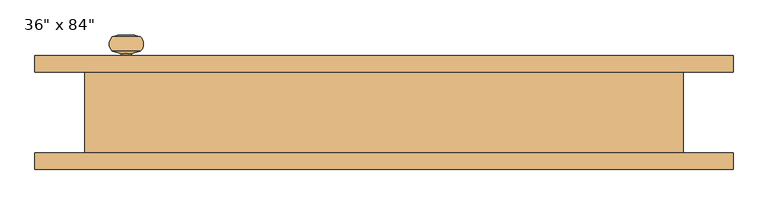
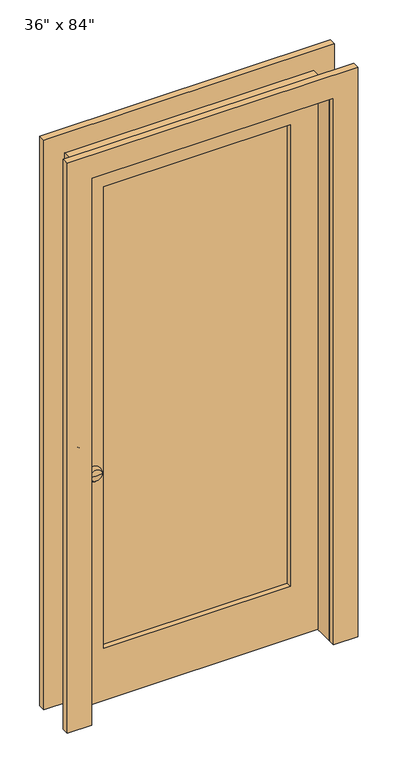
"""IFC4 building model written with IfcOpenShell, lengths in millimetres: door geometry."""

import ifcopenshell
import ifcopenshell.guid

model = None  # the IFC model being written
_history = None  # IfcOwnerHistory: only IFC2X3 demands one
_inside = {}  # id of a spatial element -> (the spatial element, [elements in it])
_under = {}  # id of a project, library or spatial element -> (it, [spatial elements below it])
_declared = {}  # id of a project -> (the project, [libraries it declares])
_typed = {}  # id of a type object -> (the type object, [elements of that type])
_made_of = {}  # id of a material, layer set ... -> (it, [elements and type objects made of it])


def new_model(schema):
    """Start an empty IFC model of exactly this schema.

    Asked for "IFC4X3", IfcOpenShell would pick the latest addendum, in which some entities
    have other attributes; the version numbers below select the first issue.
    IFC2X3 requires an IfcOwnerHistory on every rooted entity: one is made here for all.
    """
    global model, _history
    if schema == "IFC4X3":
        model = ifcopenshell.file(schema_version=(4, 3, 0, 0))
    else:
        model = ifcopenshell.file(schema=schema)
    _inside.clear()
    _under.clear()
    _declared.clear()
    _typed.clear()
    _made_of.clear()
    _history = None
    if model.schema == "IFC2X3":
        org = make("IfcOrganization", Name="unknown")
        user = make(
            "IfcPersonAndOrganization",
            ThePerson=make("IfcPerson", FamilyName="unknown"),
            TheOrganization=org,
        )
        app = make(
            "IfcApplication",
            ApplicationDeveloper=org,
            Version="unknown",
            ApplicationFullName="unknown",
            ApplicationIdentifier="unknown",
        )
        _history = make(
            "IfcOwnerHistory",
            OwningUser=user,
            OwningApplication=app,
            ChangeAction="ADDED",
            CreationDate=0,
        )
    return model


def make(cls, **values):
    """One entity of the class cls with the attributes given. An attribute that is None is left unset."""
    return model.create_entity(
        cls, **{name: value for name, value in values.items() if value is not None}
    )


def rooted(cls, **values):
    """An entity with a GlobalId (a new one), such as an element, a storey or a relation."""
    return make(cls, GlobalId=ifcopenshell.guid.new(), OwnerHistory=_history, **values)


def si_unit(unit_type, name, prefix=None):
    """IfcSIUnit, for example si_unit("LENGTHUNIT", "METRE", prefix="MILLI")."""
    return make("IfcSIUnit", UnitType=unit_type, Prefix=prefix, Name=name)


def assignment(units):
    """IfcUnitAssignment: the units of a project."""
    return None if units is None else make("IfcUnitAssignment", Units=units)


def point(xyz):
    """IfcCartesianPoint."""
    return None if xyz is None else make("IfcCartesianPoint", Coordinates=xyz)


def direction(xyz):
    """IfcDirection."""
    return None if xyz is None else make("IfcDirection", DirectionRatios=xyz)


def frame(location, z_axis=None, x_axis=None):
    """IfcAxis2Placement3D, a coordinate frame: its origin and axes. An axis left out is left unset."""
    return make(
        "IfcAxis2Placement3D",
        Location=point(location),
        Axis=direction(z_axis),
        RefDirection=direction(x_axis),
    )


def origin():
    """The frame at (0, 0, 0) with its axes left unset."""
    return frame((0.0, 0.0, 0.0))


def place(relative_to, where):
    """IfcLocalPlacement: puts the frame where relative to a parent placement (None: the world)."""
    return make(
        "IfcLocalPlacement", PlacementRelTo=relative_to, RelativePlacement=where
    )


def context(
    kind, dimensions, precision=None, world=None, true_north=None, identifier=None
):
    """IfcGeometricRepresentationContext, for example the 3D "Model" context."""
    return make(
        "IfcGeometricRepresentationContext",
        ContextIdentifier=identifier,
        ContextType=kind,
        CoordinateSpaceDimension=dimensions,
        Precision=precision,
        WorldCoordinateSystem=world,
        TrueNorth=true_north,
    )


def project(units=None, contexts=None):
    """IfcProject with its units and contexts."""
    return rooted(
        "IfcProject",
        Name="project",
        RepresentationContexts=contexts,
        UnitsInContext=assignment(units),
    )


def spatial(cls, under=None, at=None, **own):
    """A site, building, storey or space (cls), placed at a placement, below another one or the project."""
    s = rooted(cls, ObjectPlacement=at, **own)
    if under is not None:
        _under.setdefault(under.id(), (under, []))[1].append(s)
    return s


def polyline(points):
    """IfcPolyline through the points."""
    return make("IfcPolyline", Points=[point(p) for p in points])


def circle_curve(where, radius):
    """IfcCircle in the frame where."""
    return make("IfcCircle", Position=where, Radius=radius)


def ellipse_curve(where, semi_axis1, semi_axis2):
    """IfcEllipse in the frame where."""
    return make(
        "IfcEllipse", Position=where, SemiAxis1=semi_axis1, SemiAxis2=semi_axis2
    )


def trimmed(basis, trim1, trim2, sense, master):
    """IfcTrimmedCurve: the piece of a basis curve between two trims."""
    return make(
        "IfcTrimmedCurve",
        BasisCurve=basis,
        Trim1=trim1,
        Trim2=trim2,
        SenseAgreement=sense,
        MasterRepresentation=master,
    )


def outline(outer, holes=None, kind="AREA"):
    """IfcArbitraryClosedProfileDef: a profile drawn as a closed curve; with holes, ...WithVoids."""
    if holes is None:
        return make("IfcArbitraryClosedProfileDef", ProfileType=kind, OuterCurve=outer)
    return make(
        "IfcArbitraryProfileDefWithVoids",
        ProfileType=kind,
        OuterCurve=outer,
        InnerCurves=holes,
    )


def extrude(swept, where, along, depth):
    """IfcExtrudedAreaSolid: the profile swept, set in the frame where, extruded along a direction by depth."""
    return make(
        "IfcExtrudedAreaSolid",
        SweptArea=swept,
        Position=where,
        ExtrudedDirection=direction(along),
        Depth=depth,
    )


def shape(context_of_items, identifier, shape_type, items):
    """IfcShapeRepresentation: the items that make up one representation, for example the "Body"."""
    return make(
        "IfcShapeRepresentation",
        ContextOfItems=context_of_items,
        RepresentationIdentifier=identifier,
        RepresentationType=shape_type,
        Items=items,
    )


def source(mapping_origin, context_of_items, identifier, shape_type, items):
    """IfcRepresentationMap: a shape defined once, which mapped items show again and again."""
    return make(
        "IfcRepresentationMap",
        MappingOrigin=mapping_origin,
        MappedRepresentation=shape(context_of_items, identifier, shape_type, items),
    )


def transform(
    local_origin,
    x_axis=None,
    y_axis=None,
    z_axis=None,
    scale=None,
    scale2=None,
    scale3=None,
    uniform=True,
):
    """IfcCartesianTransformationOperator3D, or its non-uniform kind. x_axis, y_axis, z_axis: its Axis1, 2, 3."""
    if uniform:
        return make(
            "IfcCartesianTransformationOperator3D",
            Axis1=direction(x_axis),
            Axis2=direction(y_axis),
            LocalOrigin=point(local_origin),
            Scale=scale,
            Axis3=direction(z_axis),
        )
    return make(
        "IfcCartesianTransformationOperator3DnonUniform",
        Axis1=direction(x_axis),
        Axis2=direction(y_axis),
        LocalOrigin=point(local_origin),
        Scale=scale,
        Axis3=direction(z_axis),
        Scale2=scale2,
        Scale3=scale3,
    )


def mapped(mapping_source, mapping_target):
    """IfcMappedItem: shows the shape of a source again, moved by a transform."""
    return make(
        "IfcMappedItem", MappingSource=mapping_source, MappingTarget=mapping_target
    )


def made_of(thing, what):
    """Note that an element or type object is made of a material, layer set ...; save() writes the relation."""
    if what is not None:
        _made_of.setdefault(what.id(), (what, []))[1].append(thing)
    return thing


def element(
    cls,
    number,
    at=None,
    inside=None,
    cuts=None,
    type_object=None,
    material=None,
    context=None,
    identifier="Body",
    shape_type=None,
    held_by="IfcProductDefinitionShape",
    body=None,
    shapes=None,
    **own,
):
    """One element of the class cls, such as IfcWall. Its Tag is "e" and its number.

    at: its placement. inside: the storey or other place that contains it. cuts: it is an
    opening in that element (IfcRelVoidsElement). A single representation is given by context,
    identifier, shape_type and body (its items); several are given by shapes. held_by: the class
    of the entity that holds the representations. save() writes the other relations.
    """
    e = rooted(cls, Tag="e%d" % number, ObjectPlacement=at, **own)
    if body is not None:
        shapes = [shape(context, identifier, shape_type, body)]
    if shapes is not None:
        e.Representation = make(held_by, Representations=shapes)
    if inside is not None:
        _inside.setdefault(inside.id(), (inside, []))[1].append(e)
    if cuts is not None:
        rooted(
            "IfcRelVoidsElement", RelatingBuildingElement=cuts, RelatedOpeningElement=e
        )
    if type_object is not None:
        _typed.setdefault(type_object.id(), (type_object, []))[1].append(e)
    return made_of(e, material)


def aggregate(whole, parts):
    """IfcRelAggregates: a whole, such as a stair, and the parts it consists of."""
    return rooted("IfcRelAggregates", RelatingObject=whole, RelatedObjects=parts)


def save(model, path):
    """Write the relations noted so far, then the file.

    IfcRelAggregates (storeys below a building ...), IfcRelContainedInSpatialStructure (elements
    in a storey), IfcRelDefinesByType, IfcRelAssociatesMaterial and IfcRelDeclares: one each for
    every whole, place, type object, material and project.
    """
    for whole, parts in _under.values():
        aggregate(whole, parts)
    for where, things in _inside.values():
        rooted(
            "IfcRelContainedInSpatialStructure",
            RelatedElements=things,
            RelatingStructure=where,
        )
    for kind, things in _typed.values():
        rooted("IfcRelDefinesByType", RelatedObjects=things, RelatingType=kind)
    for what, things in _made_of.values():
        rooted("IfcRelAssociatesMaterial", RelatedObjects=things, RelatingMaterial=what)
    for by, libraries in _declared.values():
        rooted("IfcRelDeclares", RelatingContext=by, RelatedDefinitions=libraries)
    model.write(path)


def plane_surface(at):
    """IfcPlane: the flat surface through the origin of the frame at, square to its z axis."""
    return make("IfcPlane", Position=at)


def cylinder_surface(at, radius):
    """IfcCylindricalSurface: all points at the distance radius from the z axis of the frame at."""
    return make("IfcCylindricalSurface", Position=at, Radius=radius)


def revolved_surface(curve, axis_point, axis_direction):
    """IfcSurfaceOfRevolution: the curve turned about the line through axis_point along axis_direction."""
    return make(
        "IfcSurfaceOfRevolution",
        SweptCurve=make("IfcArbitraryOpenProfileDef", ProfileType="CURVE", Curve=curve),
        AxisPosition=make("IfcAxis1Placement", Location=point(axis_point), Axis=direction(axis_direction)),
    )


def advanced_brep(points, edges, surfaces, faces):
    """IfcAdvancedBrep: a solid bounded by faces that lie on surfaces and meet in shared edges.

    An edge is (start, end): straight between two places in points (the first is 0);
    or (start, end, curve); or (start, end, curve, False) where it runs against its curve.
    A face is (place in surfaces, loops), or (place, loops, False) where it looks against
    its surface's normal. A loop lists edges by number (the first is 1), with a minus sign
    where the edge is run from its end to its start. The first loop is the outer one.
    """
    corners = [point(p) for p in points]
    vertices = [make("IfcVertexPoint", VertexGeometry=c) for c in corners]
    made = []
    for start, end, *more in edges:
        made.append(
            make(
                "IfcEdgeCurve",
                EdgeStart=vertices[start],
                EdgeEnd=vertices[end],
                EdgeGeometry=more[0] if more else make("IfcPolyline", Points=[corners[start], corners[end]]),
                SameSense=more[1] if len(more) > 1 else True,
            )
        )
    hull = []
    for where, loops, *sense in faces:
        bounds = []
        for j, loop in enumerate(loops):
            ring = [make("IfcOrientedEdge", EdgeElement=made[abs(k) - 1], Orientation=k > 0) for k in loop]
            bounds.append(
                make(
                    "IfcFaceOuterBound" if j == 0 else "IfcFaceBound",
                    Bound=make("IfcEdgeLoop", EdgeList=ring),
                    Orientation=True,
                )
            )
        hull.append(make("IfcAdvancedFace", Bounds=bounds, FaceSurface=surfaces[where], SameSense=sense[0] if sense else True))
    return make("IfcAdvancedBrep", Outer=make("IfcClosedShell", CfsFaces=hull))


def door_43d7d065(model_context):
    return source(origin(), model_context, "Body", "SolidModel", [
        extrude(outline(polyline([(2209.8, -533.4), (0.0, -533.4), (0.0, -444.5), (2120.9, -444.5), (2120.9, 444.5), (0.0, 444.5), (0.0, 533.4), (2209.8, 533.4), (2209.8, -533.4)])), frame((0.0, 61.9125, 0.0), z_axis=(0.0, 1.0, 0.0), x_axis=(0.0, 0.0, 1.0)), (0.0, 0.0, 1.0), 25.4),
        extrude(outline(polyline([(2209.8, 533.4), (2209.8, -533.4), (0.0, -533.4), (0.0, -444.5), (2120.9, -444.5), (2120.9, 444.5), (0.0, 444.5), (0.0, 533.4), (2209.8, 533.4)])), frame((0.0, -87.3125, 0.0), z_axis=(0.0, 1.0, 0.0), x_axis=(0.0, 0.0, 1.0)), (0.0, 0.0, 1.0), 25.4),
        extrude(outline(polyline([(2120.9, 444.5), (2120.9, -444.5), (0.0, -444.5), (0.0, 444.5), (2120.9, 444.5)]), holes=[polyline([(1993.9, 342.9), (203.2, 342.9), (203.2, -342.9), (1993.9, -342.9), (1993.9, 342.9)])]), frame((0.0, 11.1125, 0.0), z_axis=(0.0, 1.0, 0.0), x_axis=(0.0, 0.0, 1.0)), (0.0, 0.0, 1.0), 50.8),
        extrude(outline(polyline([(2133.6, 457.2), (2133.6, -457.2), (0.0, -457.2), (0.0, -444.5), (2120.9, -444.5), (2120.9, 444.5), (0.0, 444.5), (0.0, 457.2), (2133.6, 457.2)])), frame((0.0, -61.9125, 0.0), z_axis=(0.0, 1.0, 0.0), x_axis=(0.0, 0.0, 1.0)), (0.0, 0.0, 1.0), 123.825),
        extrude(outline(polyline([(342.9, 30.1625), (-342.9, 30.1625), (-342.9, 42.8625), (342.9, 42.8625), (342.9, 30.1625)])), frame((0.0, 0.0, 203.2), z_axis=(0.0, 0.0, 1.0), x_axis=(1.0, 0.0, 0.0)), (0.0, 0.0, 1.0), 1790.7),
        advanced_brep(
        [(-393.7, 61.9125, 914.4), (-401.1064417, 61.9125, 914.4), (-386.2935583, 61.9125, 914.4), (-401.1064417, 90.3637978, 914.4), (-386.2935583, 90.3637978, 914.4), (-414.9502241, 94.0732281, 914.4), (-372.4497759, 94.0732281, 914.4), (-414.9502241, 116.4533006, 914.4), (-372.4497759, 116.4533006, 914.4), (-393.7, 119.0625, 914.4)],
        [
            (0, 1),
            (1, 2, circle_curve(frame((-393.7, 61.9125, 914.4), z_axis=(0.0, -1.0, 0.0), x_axis=(-1.0, 0.0, 0.0)), 7.4064417)),
            (2, 0),
            (2, 1, circle_curve(frame((-393.7, 61.9125, 914.4), z_axis=(0.0, -1.0, 0.0), x_axis=(-1.0, 0.0, 0.0)), 7.4064417)),
            (1, 3),
            (3, 4, circle_curve(frame((-393.7, 90.3637978, 914.4), z_axis=(0.0, -1.0, 0.0), x_axis=(-1.0, 0.0, 0.0)), 7.4064417)),
            (4, 2),
            (4, 3, circle_curve(frame((-393.7, 90.3637978, 914.4), z_axis=(0.0, -1.0, 0.0), x_axis=(-1.0, 0.0, 0.0)), 7.4064417)),
            (3, 5),
            (5, 6, circle_curve(frame((-393.7, 94.0732281, 914.4), z_axis=(0.0, -1.0, 0.0), x_axis=(-1.0, 0.0, 0.0)), 21.2502241)),
            (6, 4),
            (6, 5, circle_curve(frame((-393.7, 94.0732281, 914.4), z_axis=(0.0, -1.0, 0.0), x_axis=(-1.0, 0.0, 0.0)), 21.2502241)),
            (5, 7, circle_curve(frame((-404.3958505, 105.2632643, 914.4), z_axis=(0.0, 0.0, -1.0), x_axis=(-1.0, 0.0, 0.0)), 15.3821882)),
            (7, 8, circle_curve(frame((-393.7, 116.4533006, 914.4), z_axis=(0.0, -1.0, 0.0), x_axis=(-1.0, 0.0, 0.0)), 21.2502241)),
            (8, 6, circle_curve(frame((-383.0041495, 105.2632643, 914.4), z_axis=(0.0, 0.0, -1.0), x_axis=(1.0, 0.0, 0.0)), 15.3821882)),
            (8, 7, circle_curve(frame((-393.7, 116.4533006, 914.4), z_axis=(0.0, -1.0, 0.0), x_axis=(-1.0, 0.0, 0.0)), 21.2502241)),
            (7, 9, circle_curve(frame((-393.7, 31.2233068, 914.4), z_axis=(0.0, 0.0, -1.0), x_axis=(-1.0, 0.0, 0.0)), 87.8391932)),
            (9, 8, circle_curve(frame((-393.7, 31.2233068, 914.4), z_axis=(0.0, 0.0, -1.0), x_axis=(1.0, 0.0, 0.0)), 87.8391932)),
        ],
        [
            plane_surface(frame((-393.7, 61.9125, 914.4), z_axis=(0.0, -1.0, 0.0), x_axis=(-1.0, 0.0, 0.0))),
            cylinder_surface(frame((-393.7, 68.2625, 914.4), z_axis=(0.0, -1.0, 0.0), x_axis=(-1.0, 0.0, 0.0)), 7.4064417),
            revolved_surface(polyline([(-414.9502241, 94.0732281, 914.4), (-401.1064417, 90.3637978, 914.4)]), (-393.7, 68.2625, 914.4), (0.0, -1.0, 0.0)),
            revolved_surface(trimmed(ellipse_curve(frame((-404.3958505, 105.2632643, 914.4), z_axis=(0.0, 0.0, 1.0), x_axis=(-1.0, 0.0, 0.0)), 15.3821882, 15.3821882), [point((-414.9502241, 116.4533006, 914.4))], [point((-414.9502241, 94.0732281, 914.4))], True, "CARTESIAN"), (-393.7, 68.2625, 914.4), (0.0, -1.0, 0.0)),
            revolved_surface(trimmed(ellipse_curve(frame((-393.7, 31.2233068, 914.4), z_axis=(0.0, 0.0, 1.0), x_axis=(-1.0, 0.0, 0.0)), 87.8391932, 87.8391932), [point((-393.7, 119.0625, 914.4))], [point((-414.9502241, 116.4533006, 914.4))], True, "CARTESIAN"), (-393.7, 68.2625, 914.4), (0.0, -1.0, 0.0)),
        ],
        [
            (0, [[1, 2, 3]]),
            (0, [[-3, 4, -1]]),
            (1, [[-2, 5, 6, 7]]),
            (1, [[-4, -7, 8, -5]]),
            (2, [[-6, 9, 10, 11]]),
            (2, [[-8, -11, 12, -9]]),
            (3, [[-10, 13, 14, 15]]),
            (3, [[-12, -15, 16, -13]]),
            (4, [[-14, 17, 18]]),
            (4, [[-16, -18, -17]]),
        ],
    ),
        advanced_brep(
        [(-386.2935583, 25.4, 914.4), (-401.1064417, 25.4, 914.4), (-393.7, 25.4, 914.4), (-386.2935583, -3.0512978, 914.4), (-401.1064417, -3.0512978, 914.4), (-372.4497759, -6.7607281, 914.4), (-414.9502241, -6.7607281, 914.4), (-371.6998593, -28.3826739, 914.4), (-415.7001407, -28.3826739, 914.4), (-393.7, -31.75, 914.4)],
        [
            (0, 1, circle_curve(frame((-393.7, 25.4, 914.4), z_axis=(0.0, 1.0, 0.0), x_axis=(-1.0, 0.0, 0.0)), 7.4064417)),
            (1, 2),
            (2, 0),
            (1, 0, circle_curve(frame((-393.7, 25.4, 914.4), z_axis=(0.0, 1.0, 0.0), x_axis=(-1.0, 0.0, 0.0)), 7.4064417)),
            (3, 4, circle_curve(frame((-393.7, -3.0512978, 914.4), z_axis=(0.0, 1.0, 0.0), x_axis=(-1.0, 0.0, 0.0)), 7.4064417)),
            (4, 1),
            (0, 3),
            (4, 3, circle_curve(frame((-393.7, -3.0512978, 914.4), z_axis=(0.0, 1.0, 0.0), x_axis=(-1.0, 0.0, 0.0)), 7.4064417)),
            (5, 6, circle_curve(frame((-393.7, -6.7607281, 914.4), z_axis=(0.0, 1.0, 0.0), x_axis=(-1.0, 0.0, 0.0)), 21.2502241)),
            (6, 4),
            (3, 5),
            (6, 5, circle_curve(frame((-393.7, -6.7607281, 914.4), z_axis=(0.0, 1.0, 0.0), x_axis=(-1.0, 0.0, 0.0)), 21.2502241)),
            (7, 8, circle_curve(frame((-393.7, -28.3826739, 914.4), z_axis=(0.0, 1.0, 0.0), x_axis=(-1.0, 0.0, 0.0)), 22.0001407)),
            (8, 6, circle_curve(frame((-404.3958505, -17.9507643, 914.4), z_axis=(0.0, 0.0, -1.0), x_axis=(-1.0, 0.0, 0.0)), 15.3821882)),
            (5, 7, circle_curve(frame((-383.0041495, -17.9507643, 914.4), z_axis=(0.0, 0.0, -1.0), x_axis=(1.0, 0.0, 0.0)), 15.3821882)),
            (8, 7, circle_curve(frame((-393.7, -28.3826739, 914.4), z_axis=(0.0, 1.0, 0.0), x_axis=(-1.0, 0.0, 0.0)), 22.0001407)),
            (9, 8, circle_curve(frame((-393.7, 41.8016932, 914.4), z_axis=(0.0, 0.0, -1.0), x_axis=(-1.0, 0.0, 0.0)), 73.5516932)),
            (7, 9, circle_curve(frame((-393.7, 41.8016932, 914.4), z_axis=(0.0, 0.0, -1.0), x_axis=(1.0, 0.0, 0.0)), 73.5516932)),
        ],
        [
            plane_surface(frame((-393.7, 25.4, 914.4), z_axis=(0.0, 1.0, 0.0), x_axis=(-1.0, 0.0, 0.0))),
            cylinder_surface(frame((-393.7, 19.05, 914.4), z_axis=(0.0, -1.0, 0.0), x_axis=(-1.0, 0.0, 0.0)), 7.4064417),
            revolved_surface(polyline([(-401.1064417, -3.0512978, 914.4), (-414.9502241, -6.7607281, 914.4)]), (-393.7, 19.05, 914.4), (0.0, -1.0, 0.0)),
            revolved_surface(trimmed(ellipse_curve(frame((-404.3958505, -17.9507643, 914.4), z_axis=(0.0, 0.0, 1.0), x_axis=(-1.0, 0.0, 0.0)), 15.3821882, 15.3821882), [point((-414.9502241, -6.7607281, 914.4))], [point((-415.7001407, -28.3826739, 914.4))], True, "CARTESIAN"), (-393.7, 19.05, 914.4), (0.0, -1.0, 0.0)),
            revolved_surface(trimmed(ellipse_curve(frame((-393.7, 41.8016932, 914.4), z_axis=(0.0, 0.0, 1.0), x_axis=(-1.0, 0.0, 0.0)), 73.5516932, 73.5516932), [point((-415.7001407, -28.3826739, 914.4))], [point((-393.7, -31.75, 914.4))], True, "CARTESIAN"), (-393.7, 19.05, 914.4), (0.0, -1.0, 0.0)),
        ],
        [
            (0, [[1, 2, 3]]),
            (0, [[4, -3, -2]]),
            (1, [[5, 6, -1, 7]]),
            (1, [[8, -7, -4, -6]]),
            (2, [[9, 10, -5, 11]]),
            (2, [[12, -11, -8, -10]]),
            (3, [[13, 14, -9, 15]]),
            (3, [[16, -15, -12, -14]]),
            (4, [[17, -13, 18]]),
            (4, [[-18, -16, -17]]),
        ],
    ),
    ])


if __name__ == "__main__":
    model = new_model("IFC4")
    model_context = context("Model", 3, world=origin())
    ifc_project = project(units=[si_unit("LENGTHUNIT", "METRE", prefix="MILLI")], contexts=[model_context])
    site = spatial("IfcSite", under=ifc_project)
    building = spatial("IfcBuilding", under=site)
    placement = place(None, origin())
    door_shape = door_43d7d065(model_context)
    element("IfcDoor", 1, ObjectType="36\" x 84\"", at=placement, inside=building, context=model_context, shape_type="MappedRepresentation", body=[
        mapped(door_shape, transform((0.0, 0.0, 0.0), x_axis=(1.0, 0.0, 0.0), y_axis=(0.0, 1.0, 0.0), z_axis=(0.0, 0.0, 1.0))),
    ])
    save(model, "model.ifc")
